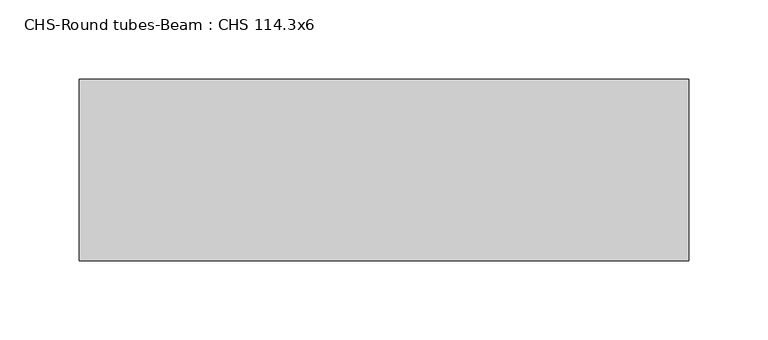
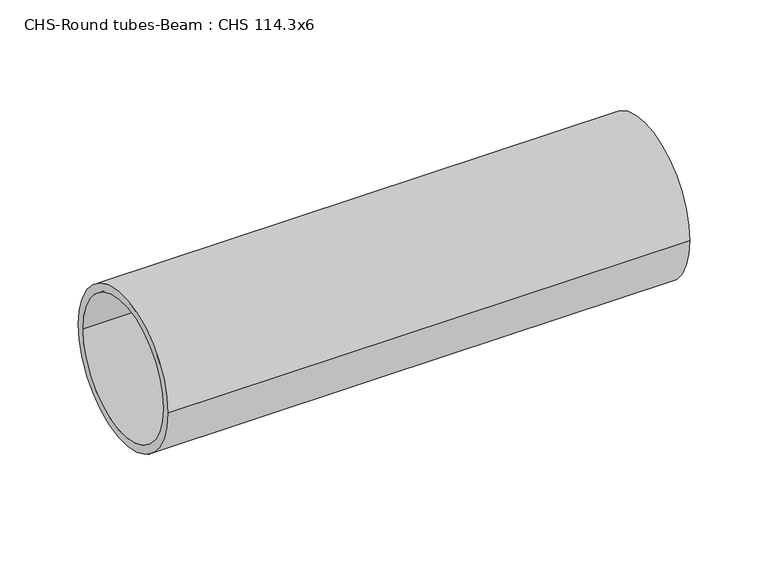
"""IFC4 building model written with IfcOpenShell, lengths in millimetres: beam geometry, CHS-Round tubes-Beam : CHS 114.3x6."""

from ifc_helpers import new_model, si_unit, point, frame, origin, origin_2d, place, context, project, spatial, circle_curve, trimmed, segment, composite_curve, outline, extrude, source, transform, mapped, element, save


def chs_round_tubes_beam_chs_114_3x6_cb231f03(model_context):
    return source(origin(), model_context, "Body", "SweptSolid", [
        extrude(outline(composite_curve([segment(trimmed(circle_curve(origin_2d(), 57.15), [point((57.15, 0.0))], [point((-57.15, 0.0))], False, "CARTESIAN"), True, "CONTINUOUS"), segment(trimmed(circle_curve(origin_2d(), 57.15), [point((-57.15, 0.0))], [point((57.15, 0.0))], False, "CARTESIAN"), True, "CONTINUOUS")], self_intersect=False), holes=[composite_curve([segment(trimmed(circle_curve(origin_2d(), 51.15), [point((51.15, 0.0))], [point((-51.15, 0.0))], True, "CARTESIAN"), True, "CONTINUOUS"), segment(trimmed(circle_curve(origin_2d(), 51.15), [point((-51.15, 0.0))], [point((51.15, 0.0))], True, "CARTESIAN"), True, "CONTINUOUS")], self_intersect=False)]), frame((-254.6534173, 0.0, 0.0), z_axis=(1.0, 0.0, 0.0), x_axis=(0.0, 1.0, 0.0)), (0.0, 0.0, 1.0), 384.3256746),
    ])


if __name__ == "__main__":
    model = new_model("IFC4")
    model_context = context("Model", 3, world=origin())
    ifc_project = project(units=[si_unit("LENGTHUNIT", "METRE", prefix="MILLI")], contexts=[model_context])
    site = spatial("IfcSite", under=ifc_project)
    building = spatial("IfcBuilding", under=site)
    placement = place(None, origin())
    chs_round_tubes_beam_chs_114_3x6_shape = chs_round_tubes_beam_chs_114_3x6_cb231f03(model_context)
    element("IfcBeam", 1, ObjectType="CHS-Round tubes-Beam : CHS 114.3x6", at=placement, inside=building, context=model_context, shape_type="MappedRepresentation", body=[
        mapped(chs_round_tubes_beam_chs_114_3x6_shape, transform((0.0, 0.0, 0.0), x_axis=(1.0, 0.0, 0.0), y_axis=(0.0, 1.0, 0.0), z_axis=(0.0, 0.0, 1.0))),
    ])
    save(model, "model.ifc")
